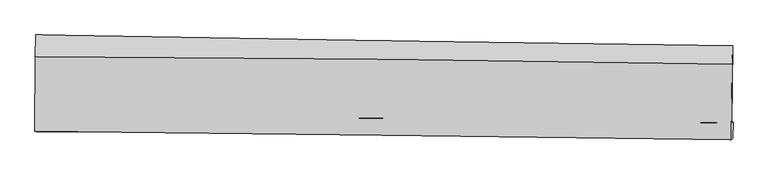
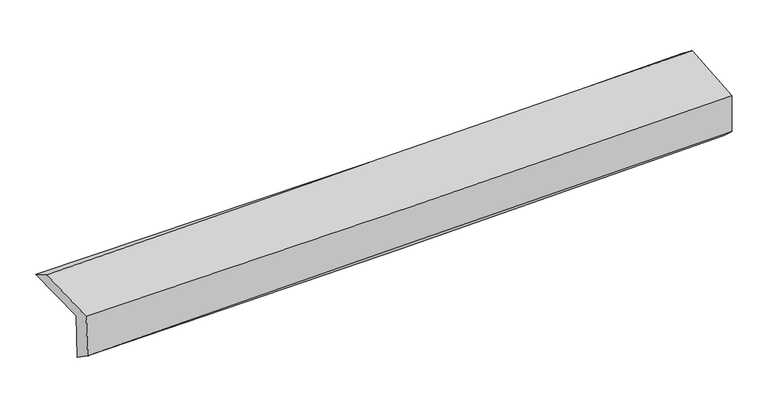
"""IFC4 building model written with IfcOpenShell, lengths in millimetres: proxy geometry."""

from ifc_helpers import new_model, si_unit, frame, origin, place, context, project, spatial, source, transform, mapped, element, save
from ifc_brep_helpers import plane_surface, spline_curve, spline_surface, advanced_brep


def generic_models_e5ade074(model_context):
    return source(origin(), model_context, "Body", "AdvancedBrep", [
        advanced_brep(
        [(-3005.5793321, -1748.9123133, 1980.2009048), (-3002.0843994, -1083.7699496, 1987.5200399), (2991.4162548, -1179.0539644, 2132.717549), (2984.2613945, -1839.4128309, 2125.3527293), (-2994.3174219, -1742.2265701, 1559.5307187), (2995.2039697, -1832.8928269, 1715.1306553), (-2998.6121703, -1918.4159413, 1683.8504037), (2990.3340578, -1974.4234411, 1839.466354), (-3008.9848551, -1912.3395735, 2073.8488025), (2980.4521748, -1986.6338022, 2207.2688526), (-3005.9983372, -1271.2989531, 2095.2104026), (2986.40876, -1336.8604468, 2255.4088535)],
        [
            (0, 1),
            (1, 2, spline_curve(3, [(-3002.0843994, -1083.7699496, 1987.5200399), (-2002.875118247, -1101.391852463, 1988.113872554), (-1003.920545133, -1118.141602968, 2000.505388515), (993.913227385, -1149.903699562, 2048.894301502), (1992.792205807, -1164.915287423, 2084.90195492), (2991.4162548, -1179.0539644, 2132.717549)], [4, 2, 4], [0.0, 9.831476559038748, 19.667225955470087])),
            (2, 3),
            (3, 0, spline_curve(3, [(2984.2613945, -1839.4128309, 2125.3527293), (1986.346458122, -1827.306813499, 2077.533934667), (988.127085337, -1813.710132687, 2041.528490186), (-1008.486754723, -1783.541998544, 1993.154810122), (-2006.880957391, -1766.971840091, 1980.776313267), (-3005.5793321, -1748.9123133, 1980.2009048)], [4, 2, 4], [0.0, 9.83574939643134, 19.667225955470087])),
            (4, 0),
            (3, 5),
            (5, 4, spline_curve(3, [(2995.2039697, -1832.8928269, 1715.1306553), (1997.072044464, -1820.92052278, 1675.720004933), (998.770823861, -1807.376866424, 1643.046664492), (-997.736453598, -1777.153415825, 1591.185871215), (-1995.942363533, -1760.474986532, 1571.992566245), (-2994.3174219, -1742.2265701, 1559.5307187)], [4, 2, 4], [0.0, 9.83238109334267, 19.66049081254794])),
            (6, 4),
            (5, 7),
            (7, 6, spline_curve(3, [(2990.3340578, -1974.4234411, 1839.466354), (1992.118584707, -1956.774781851, 1810.059442196), (993.823549996, -1943.283049808, 1782.385549264), (-1002.491928404, -1924.61749381, 1730.515071347), (-2000.512303234, -1919.44005981, 1706.316980675), (-2998.6121703, -1918.4159413, 1683.8504037)], [4, 2, 4], [0.0, 9.83114195116238, 19.65801306649439])),
            (8, 6),
            (7, 9),
            (9, 8, spline_curve(3, [(2980.4521748, -1986.6338022, 2207.2688526), (1982.31855527, -1972.034918265, 2174.160212196), (984.023520635, -1958.543185941, 2146.486319523), (-1012.455629284, -1933.779404757, 2102.017690186), (-2010.639604815, -1922.506394015, 2085.218232878), (-3008.9848551, -1912.3395735, 2073.8488025)], [4, 2, 4], [0.0, 9.830480560277826, 19.656690572046116])),
            (10, 8),
            (9, 11),
            (11, 10, spline_curve(3, [(2986.40876, -1336.8604468, 2255.4088535), (1987.467628642, -1317.546038925, 2226.971322189), (988.52131261, -1302.425100946, 2199.399973223), (-1008.947723999, -1280.574912555, 2146.001242212), (-2007.470440714, -1273.842019113, 2120.173107462), (-3005.9983372, -1271.2989531, 2095.2104026)], [4, 2, 4], [0.0, 9.833482050928184, 19.662692249441967])),
            (1, 10),
            (11, 2),
        ],
        [
            spline_surface(3, 3, [[(-3005.5793321, -1748.9123133, 1980.2009048), (-2006.880957535, -1766.971840199, 1980.776313344), (-1008.486754672, -1783.541998584, 1993.154810241), (988.127085286, -1813.710132647, 2041.528490067), (1986.346458003, -1827.306813464, 2077.533934697), (2984.2613945, -1839.4128309, 2125.3527293)], [(-3004.414354537, -1527.198192067, 1982.640616491), (-2005.545677815, -1545.111844305, 1983.222166353), (-1006.964684886, -1561.741866706, 1995.605003041), (990.055799364, -1592.441321589, 2043.983760501), (1988.495040643, -1606.50963808, 2079.989941407), (2986.646347945, -1619.293208738, 2127.807669195)], [(-3003.249376963, -1305.484070833, 1985.080328209), (-2004.210398084, -1323.25184841, 1985.668019387), (-1005.442615078, -1339.941734881, 1998.055195844), (991.984513466, -1371.172510584, 2046.439030939), (1990.643623249, -1385.712462683, 2082.445948133), (2989.031301355, -1399.173586562, 2130.262609105)], [(-3002.0843994, -1083.7699496, 1987.5200399), (-2002.875118363, -1101.391852516, 1988.113872396), (-1003.920545292, -1118.141603003, 2000.505388644), (993.913227544, -1149.903699526, 2048.894301373), (1992.79220589, -1164.915287299, 2084.901954844), (2991.4162548, -1179.0539644, 2132.717549)]], [4, 4], [4, 2, 4], [0.0, 2.180656029133918], [0.0, 9.831476559038748, 19.667225955470087]),
            spline_surface(3, 3, [[(-2994.3174219, -1742.2265701, 1559.5307187), (-1995.94236352, -1760.474986552, 1571.992566092), (-997.736453667, -1777.153415853, 1591.185871274), (998.770823929, -1807.376866396, 1643.046664433), (1997.0720446, -1820.920522717, 1675.720004811), (2995.2039697, -1832.8928269, 1715.1306553)], [(-2998.071391935, -1744.455151157, 1699.754114077), (-1999.588561493, -1762.640604425, 1708.253815187), (-1001.319887342, -1779.282943428, 1725.175517582), (995.222911042, -1809.487955145, 1775.873939631), (1993.496849072, -1823.0492863, 1809.657981451), (2991.556444637, -1835.066161567, 1851.871346644)], [(-3001.825362065, -1746.683732243, 1839.977509423), (-2003.234759562, -1764.806222326, 1844.51506425), (-1004.903320997, -1781.412471008, 1859.165163932), (991.674998174, -1811.599043898, 1908.70121487), (1989.921653532, -1825.178049881, 1943.595958058), (2987.908919563, -1837.239496233, 1988.612037956)], [(-3005.5793321, -1748.9123133, 1980.2009048), (-2006.880957535, -1766.971840199, 1980.776313344), (-1008.486754672, -1783.541998584, 1993.154810241), (988.127085286, -1813.710132647, 2041.528490067), (1986.346458003, -1827.306813464, 2077.533934697), (2984.2613945, -1839.4128309, 2125.3527293)]], [4, 4], [4, 2, 4], [0.0, 1.3137076071043539], [0.0, 9.82810971920527, 19.66049081254794]),
            spline_surface(3, 3, [[(-2998.6121703, -1918.4159413, 1683.8504037), (-2000.51230327, -1919.440059657, 1706.316980621), (-1002.491928438, -1924.617493961, 1730.515071272), (993.823550031, -1943.283049656, 1782.385549339), (1992.118584582, -1956.774781937, 1810.059442081), (2990.3340578, -1974.4234411, 1839.466354)], [(-2997.180587512, -1859.686150899, 1642.410508707), (-1998.988990032, -1866.451701954, 1661.542175786), (-1000.906770187, -1875.462801259, 1684.072004614), (995.472641324, -1897.98098857, 1735.939254379), (1993.769737922, -1911.490028845, 1765.279629631), (2991.957361767, -1927.246569681, 1798.021121073)], [(-2995.749004688, -1800.956360501, 1600.970613693), (-1997.465676758, -1813.463344254, 1616.767370928), (-999.321611918, -1826.308108555, 1637.628937931), (997.121732636, -1852.678927482, 1689.492959393), (1995.42089126, -1866.20527581, 1720.499817261), (2993.580665733, -1880.069698319, 1756.575888227)], [(-2994.3174219, -1742.2265701, 1559.5307187), (-1995.94236352, -1760.474986552, 1571.992566092), (-997.736453667, -1777.153415853, 1591.185871274), (998.770823929, -1807.376866396, 1643.046664433), (1997.0720446, -1820.920522717, 1675.720004811), (2995.2039697, -1832.8928269, 1715.1306553)]], [4, 4], [4, 2, 4], [0.0, 0.6521487547178775], [0.0, 9.826871115332011, 19.65801306649439]),
            spline_surface(3, 3, [[(-3008.9848551, -1912.3395735, 2073.8488025), (-2010.639604934, -1922.50639416, 2085.218232992), (-1012.455629413, -1933.779404757, 2102.017690283), (984.023520764, -1958.543185941, 2146.486319426), (1982.318555215, -1972.034918222, 2174.160212168), (2980.4521748, -1986.6338022, 2207.2688526)], [(-3005.527293513, -1914.365029446, 1943.849336212), (-2007.263837726, -1921.484282672, 1958.917815513), (-1009.134395739, -1930.725434501, 1978.183483945), (987.290197202, -1953.456473856, 2025.119396063), (1985.585231653, -1966.948206137, 2052.793288805), (2983.746135782, -1982.563681843, 2084.668019733)], [(-3002.069731887, -1916.390485354, 1813.849869988), (-2003.888070479, -1920.462171145, 1832.617398099), (-1005.813162112, -1927.671464217, 1854.34927761), (990.556873593, -1948.369761742, 1903.752472702), (1988.851908144, -1961.861494023, 1931.426365444), (2987.040096818, -1978.493561457, 1962.067186867)], [(-2998.6121703, -1918.4159413, 1683.8504037), (-2000.51230327, -1919.440059657, 1706.316980621), (-1002.491928438, -1924.617493961, 1730.515071272), (993.823550031, -1943.283049656, 1782.385549339), (1992.118584582, -1956.774781937, 1810.059442081), (2990.3340578, -1974.4234411, 1839.466354)]], [4, 4], [4, 2, 4], [0.0, 1.207793410662296], [0.0, 9.826210011768291, 19.656690572046116]),
            spline_surface(3, 3, [[(-3005.9983372, -1271.2989531, 2095.2104026), (-2007.470440694, -1273.842019079, 2120.173107323), (-1008.947724152, -1280.574912465, 2146.001242093), (988.521312763, -1302.425101036, 2199.399973341), (1987.467628598, -1317.546038897, 2226.971322156), (2986.40876, -1336.8604468, 2255.4088535)], [(-3006.99384316, -1484.979159887, 2088.089869265), (-2008.526828768, -1490.063477426, 2108.521482577), (-1010.117025923, -1498.309743228, 2131.340058143), (987.022048746, -1521.131129336, 2181.76208869), (1985.751270795, -1535.708998677, 2209.367618833), (2984.423231591, -1553.451565272, 2239.36218654)], [(-3007.98934914, -1698.659366713, 2080.969335835), (-2009.583216861, -1706.284935812, 2096.869857737), (-1011.286327642, -1716.044573994, 2116.678874233), (985.52278478, -1739.837157641, 2164.124204077), (1984.034913018, -1753.871958442, 2191.76391549), (2982.437703209, -1770.042683728, 2223.31551956)], [(-3008.9848551, -1912.3395735, 2073.8488025), (-2010.639604934, -1922.50639416, 2085.218232992), (-1012.455629413, -1933.779404757, 2102.017690283), (984.023520764, -1958.543185941, 2146.486319426), (1982.318555215, -1972.034918222, 2174.160212168), (2980.4521748, -1986.6338022, 2207.2688526)]], [4, 4], [4, 2, 4], [0.0, 2.1537550982471427], [0.0, 9.829210198513783, 19.662692249441967]),
            spline_surface(3, 3, [[(-3002.0843994, -1083.7699496, 1987.5200399), (-2002.875118363, -1101.391852516, 1988.113872396), (-1003.920545292, -1118.141603003, 2000.505388644), (993.913227544, -1149.903699526, 2048.894301373), (1992.79220589, -1164.915287299, 2084.901954844), (2991.4162548, -1179.0539644, 2132.717549)], [(-3003.389045343, -1146.279617444, 2023.416827448), (-2004.406892484, -1158.87524138, 2032.133617352), (-1005.596271557, -1172.286039501, 2049.004006481), (992.115922639, -1200.744166707, 2099.062858716), (1991.017346803, -1215.792204498, 2132.258410629), (2989.747089877, -1231.6561252, 2173.614650515)], [(-3004.693691257, -1208.789285256, 2059.313615052), (-2005.938666574, -1216.358630214, 2076.153362366), (-1007.271997887, -1226.430475967, 2097.502624256), (990.318617668, -1251.584633855, 2149.231415998), (1989.242487684, -1266.669121698, 2179.61486637), (2988.077924923, -1284.258286, 2214.511751985)], [(-3005.9983372, -1271.2989531, 2095.2104026), (-2007.470440694, -1273.842019079, 2120.173107323), (-1008.947724152, -1280.574912465, 2146.001242093), (988.521312763, -1302.425101036, 2199.399973341), (1987.467628598, -1317.546038897, 2226.971322156), (2986.40876, -1336.8604468, 2255.4088535)]], [4, 4], [4, 2, 4], [0.0, 0.7092241556201743], [0.0, 9.833110349986057, 19.67049424742316]),
            plane_surface(frame((2988.0127686, -1691.5462187, 2045.8908323), z_axis=(0.9995872453817981, -0.011125736150129436, 0.02648691875524167), x_axis=(0.026842893006215538, 0.033167911173989775, -0.9990892596577201))),
            plane_surface(frame((-3002.596086, -1612.8272168, 1896.6935454), z_axis=(-0.9996288204494114, 0.005545971713681175, -0.026673273602419178), x_axis=(-0.005254022404894323, -0.9999256613678166, -0.01100304442886015))),
        ],
        [
            (0, [[1, 2, 3, 4]]),
            (1, [[5, -4, 6, 7]]),
            (2, [[8, -7, 9, 10]]),
            (3, [[11, -10, 12, 13]]),
            (4, [[14, -13, 15, 16]]),
            (5, [[17, -16, 18, -2]]),
            (6, [[-12, -9, -6, -3, -18, -15]]),
            (7, [[-1, -5, -8, -11, -14, -17]]),
        ],
    ),
    ])


if __name__ == "__main__":
    model = new_model("IFC4")
    model_context = context("Model", 3, world=origin())
    ifc_project = project(units=[si_unit("LENGTHUNIT", "METRE", prefix="MILLI")], contexts=[model_context])
    site = spatial("IfcSite", under=ifc_project)
    building = spatial("IfcBuilding", under=site)
    placement = place(None, origin())
    generic_models_shape = generic_models_e5ade074(model_context)
    element("IfcBuildingElementProxy", 1, Name="Generic Models", at=placement, inside=building, context=model_context, shape_type="MappedRepresentation", body=[
        mapped(generic_models_shape, transform((0.0, 0.0, 0.0), x_axis=(1.0, 0.0, 0.0), y_axis=(0.0, 1.0, 0.0), z_axis=(0.0, 0.0, 1.0))),
    ])
    save(model, "model.ifc")
